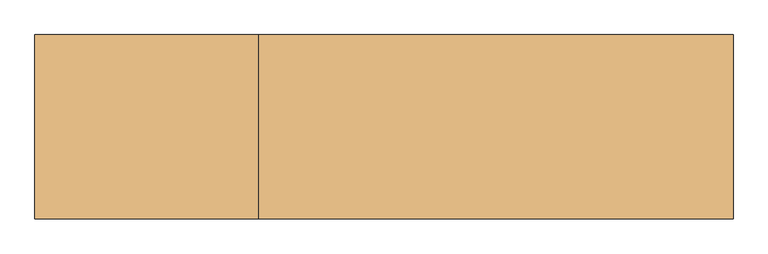
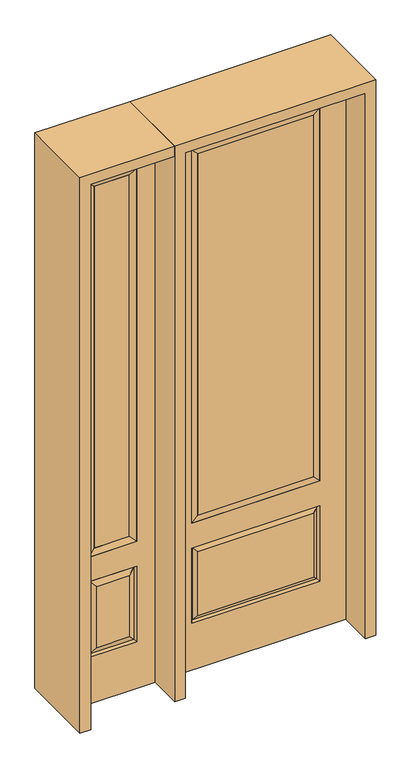
"""IFC4 building model written with IfcOpenShell, lengths in millimetres: door geometry."""

from ifc_helpers import new_model, si_unit, frame, origin, place, context, project, spatial, polyline, outline, extrude, faceted_brep, source, transform, mapped, element, save


def door_cbea7085(model_context):
    return source(origin(), model_context, "Body", "SolidModel", [
        faceted_brep([(-781.05, -22.225, 0.0), (-425.45, -22.225, 0.0), (-425.45, -22.225, 2438.4), (-781.05, -22.225, 2438.4), (-502.92, -22.225, 2325.624), (-502.92, -22.225, 657.098), (-703.58, -22.225, 657.098), (-703.58, -22.225, 2325.624), (-502.92, -22.225, 209.55), (-703.58, -22.225, 209.55), (-703.58, -22.225, 546.1), (-502.92, -22.225, 546.1), (-671.8648999, -22.225, 241.2651001), (-534.6351001, -22.225, 241.2651001), (-534.6351001, -22.225, 514.3848999), (-671.8648999, -22.225, 514.3848999), (-781.05, 22.225, 0.0), (-781.05, 22.225, 2438.4), (-425.45, 22.225, 2438.4), (-425.45, 22.225, 0.0), (-502.92, 22.225, 2325.624), (-703.58, 22.225, 2325.624), (-703.58, 22.225, 657.098), (-502.92, 22.225, 657.098), (-703.58, 22.225, 209.55), (-502.92, 22.225, 209.55), (-502.92, 22.225, 546.1), (-703.58, 22.225, 546.1), (-534.6351001, 22.225, 241.2651001), (-671.8648999, 22.225, 241.2651001), (-671.8648999, 22.225, 514.3848999), (-534.6351001, 22.225, 514.3848999), (-510.0288501, 12.7912373, 216.6588501), (-696.4711499, 12.7912373, 216.6588501), (-696.4711499, 12.7912373, 538.9911499), (-510.0288501, 12.7912373, 538.9911499), (-696.4711499, -12.7912373, 216.6588501), (-510.0288501, -12.7912373, 216.6588501), (-696.4711499, -12.7912373, 538.9911499), (-510.0288501, -12.7912373, 538.9911499)], [[[0, 1, 2, 3], [4, 5, 6, 7], [8, 9, 10, 11]], [[12, 13, 14, 15]], [[16, 17, 18, 19], [20, 21, 22, 23], [24, 25, 26, 27]], [[28, 29, 30, 31]], [[1, 0, 16, 19]], [[2, 1, 19, 18]], [[3, 2, 18, 17]], [[0, 3, 17, 16]], [[5, 4, 20, 23]], [[6, 5, 23, 22]], [[7, 6, 22, 21]], [[4, 7, 21, 20]], [[32, 33, 29, 28]], [[33, 32, 25, 24]], [[29, 33, 34, 30]], [[33, 24, 27, 34]], [[30, 34, 35, 31]], [[34, 27, 26, 35]], [[32, 28, 31, 35]], [[25, 32, 35, 26]], [[12, 36, 37, 13]], [[37, 36, 9, 8]], [[36, 12, 15, 38]], [[9, 36, 38, 10]], [[38, 15, 14, 39]], [[10, 38, 39, 11]], [[13, 37, 39, 14]], [[37, 8, 11, 39]]]),
        faceted_brep([(-703.58, 22.225, 2325.624), (-703.58, -22.225, 2325.624), (-502.92, -22.225, 2325.624), (-502.92, 22.225, 2325.624), (-678.18, 12.7, 2300.224), (-528.32, 12.7, 2300.224), (-678.18, -12.7, 2300.224), (-528.32, -12.7, 2300.224), (-502.92, -22.225, 657.098), (-502.92, 22.225, 657.098), (-528.32, 12.7, 682.498), (-528.32, -12.7, 682.498), (-703.58, -22.225, 657.098), (-703.58, 22.225, 657.098), (-678.18, 12.7, 682.498), (-678.18, -12.7, 682.498)], [[[0, 1, 2, 3]], [[4, 0, 3, 5]], [[6, 4, 5, 7]], [[1, 6, 7, 2]], [[3, 2, 8, 9]], [[5, 3, 9, 10]], [[7, 5, 10, 11]], [[2, 7, 11, 8]], [[9, 8, 12, 13]], [[10, 9, 13, 14]], [[11, 10, 14, 15]], [[8, 11, 15, 12]], [[13, 12, 1, 0]], [[14, 13, 0, 4]], [[15, 14, 4, 6]], [[12, 15, 6, 1]]]),
        extrude(outline(polyline([(-528.32, -12.7), (-678.18, -12.7), (-678.18, 12.7), (-528.32, 12.7), (-528.32, -12.7)])), frame((0.0, 0.0, 682.498), z_axis=(0.0, 0.0, 1.0), x_axis=(1.0, 0.0, 0.0)), (0.0, 0.0, 1.0), 1617.726),
        extrude(outline(polyline([(244.475, -20.32), (-244.475, -20.32), (-244.475, 5.08), (244.475, 5.08), (244.475, -20.32)])), frame((0.0, 0.0, 682.498), z_axis=(0.0, 0.0, 1.0), x_axis=(1.0, 0.0, 0.0)), (0.0, 0.0, 1.0), 1616.202),
        faceted_brep([(-262.7661499, -12.7912373, 216.6588501), (262.7661499, -12.7912373, 216.6588501), (245.26875, -22.225, 234.15625), (-245.26875, -22.225, 234.15625), (-269.875, -22.225, 209.55), (269.875, -22.225, 209.55), (-262.7661499, -12.7912373, 538.9911499), (-269.875, -22.225, 546.1), (245.26875, -22.225, 521.49375), (-245.26875, -22.225, 521.49375), (381.0, -22.225, 2438.4), (-381.0, -22.225, 2438.4), (-381.0, -22.225, 0.0), (381.0, -22.225, 0.0), (269.875, -22.225, 546.1), (269.875, -22.225, 2324.1), (269.875, -22.225, 657.098), (-269.875, -22.225, 657.098), (-269.875, -22.225, 2324.1), (262.7661499, -12.7912373, 538.9911499), (-381.0, 22.225, 2438.4), (-381.0, 22.225, 0.0), (381.0, 22.225, 0.0), (381.0, 22.225, 2438.4), (269.875, 22.225, 2324.1), (269.875, 22.225, 657.098), (-269.875, 22.225, 657.098), (-269.875, 22.225, 2324.1), (-269.875, 22.225, 209.55), (269.875, 22.225, 209.55), (269.875, 22.225, 546.1), (-269.875, 22.225, 546.1), (245.26875, 22.225, 234.15625), (-245.26875, 22.225, 234.15625), (-245.26875, 22.225, 521.49375), (245.26875, 22.225, 521.49375), (-262.7661499, 12.7912373, 216.6588501), (262.7661499, 12.7912373, 216.6588501), (262.7661499, 12.7912373, 538.9911499), (-262.7661499, 12.7912373, 538.9911499)], [[[0, 1, 2, 3]], [[1, 0, 4, 5]], [[4, 0, 6, 7]], [[3, 2, 8, 9]], [[10, 11, 12, 13], [5, 4, 7, 14], [15, 16, 17, 18]], [[1, 5, 14, 19]], [[2, 1, 19, 8]], [[0, 3, 9, 6]], [[7, 6, 19, 14]], [[6, 9, 8, 19]], [[12, 11, 20, 21]], [[13, 12, 21, 22]], [[10, 13, 22, 23]], [[16, 15, 24, 25]], [[17, 16, 25, 26]], [[18, 17, 26, 27]], [[23, 22, 21, 20], [28, 29, 30, 31], [24, 27, 26, 25]], [[32, 33, 34, 35]], [[28, 36, 37, 29]], [[29, 37, 38, 30]], [[39, 31, 30, 38]], [[36, 28, 31, 39]], [[37, 36, 33, 32]], [[33, 36, 39, 34]], [[34, 39, 38, 35]], [[37, 32, 35, 38]], [[11, 10, 23, 20]], [[15, 18, 27, 24]]]),
        faceted_brep([(-269.875, -22.225, 2324.1), (-269.875, 22.225, 2324.1), (-269.875, 22.225, 657.098), (-269.875, -22.225, 657.098), (269.875, 22.225, 657.098), (269.875, -22.225, 657.098), (-244.475, 5.08, 682.498), (244.475, 5.08, 682.498), (269.875, 22.225, 2324.1), (269.875, -22.225, 2324.1), (-244.475, -20.32, 682.498), (244.475, -20.32, 682.498), (-244.475, -20.32, 2298.7), (244.475, -20.32, 2298.7), (-244.475, 5.08, 2298.7), (244.475, 5.08, 2298.7)], [[[0, 1, 2, 3]], [[3, 2, 4, 5]], [[2, 6, 7, 4]], [[5, 4, 8, 9]], [[10, 3, 5, 11]], [[12, 0, 3, 10]], [[11, 5, 9, 13]], [[6, 10, 11, 7]], [[14, 12, 10, 6]], [[7, 11, 13, 15]], [[1, 14, 6, 2]], [[4, 7, 15, 8]], [[9, 8, 1, 0]], [[13, 9, 0, 12]], [[15, 13, 12, 14]], [[8, 15, 14, 1]]]),
        extrude(outline(polyline([(2438.4, -425.45), (2482.85, -425.45), (2482.85, -825.5), (0.0, -825.5), (0.0, -781.05), (2438.4, -781.05), (2438.4, -425.45)])), frame((0.0, -165.1, 0.0), z_axis=(0.0, 1.0, 0.0), x_axis=(0.0, 0.0, 1.0)), (0.0, 0.0, 1.0), 330.2),
        extrude(outline(polyline([(2482.85, -425.45), (0.0, -425.45), (0.0, -381.0), (2438.4, -381.0), (2438.4, 381.0), (0.0, 381.0), (0.0, 425.45), (2482.85, 425.45), (2482.85, -425.45)])), frame((0.0, -165.1, 0.0), z_axis=(0.0, 1.0, 0.0), x_axis=(0.0, 0.0, 1.0)), (0.0, 0.0, 1.0), 330.2),
    ])


if __name__ == "__main__":
    model = new_model("IFC4")
    model_context = context("Model", 3, world=origin())
    ifc_project = project(units=[si_unit("LENGTHUNIT", "METRE", prefix="MILLI")], contexts=[model_context])
    site = spatial("IfcSite", under=ifc_project)
    building = spatial("IfcBuilding", under=site)
    placement = place(None, origin())
    door_shape = door_cbea7085(model_context)
    element("IfcDoor", 1, at=placement, inside=building, context=model_context, shape_type="MappedRepresentation", body=[
        mapped(door_shape, transform((0.0, 0.0, 0.0), x_axis=(1.0, 0.0, 0.0), y_axis=(0.0, 1.0, 0.0), z_axis=(0.0, 0.0, 1.0))),
    ])
    save(model, "model.ifc")
